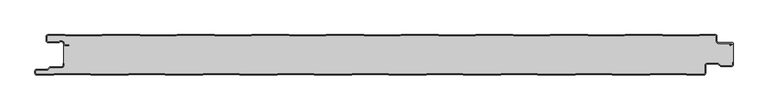
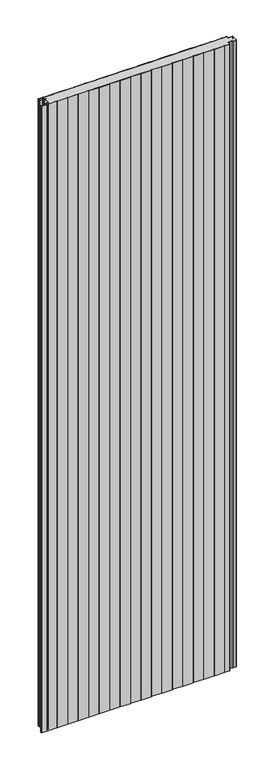
"""IFC4 building model written with IfcOpenShell, lengths in millimetres: plate geometry."""

from ifc_helpers import new_model, si_unit, point, frame_2d, origin, origin_with_axes, place, context, project, spatial, polyline, circle_curve, trimmed, segment, composite_curve, outline, extrude, source, transform, mapped, element, save


def plate_6f83bfdd(model_context):
    return source(origin(), model_context, "Body", "SweptSolid", [
        extrude(outline(composite_curve([segment(polyline([(-517.0, -57.5), (-517.0, -54.5)]), True, "CONTINUOUS"), segment(trimmed(circle_curve(frame_2d((-514.5, -54.5)), 2.5), [point((-517.0, -54.5))], [point((-514.5, -52.0))], False, "CARTESIAN"), True, "CONTINUOUS"), segment(polyline([(-514.5, -52.0), (-498.5, -52.0), (-494.75, -48.25), (-477.0, -48.25)]), True, "CONTINUOUS"), segment(trimmed(circle_curve(frame_2d((-477.0, -46.25)), 2.0), [point((-477.0, -48.25))], [point((-475.0, -46.25))], True, "CARTESIAN"), True, "CONTINUOUS"), segment(polyline([(-475.0, -46.25), (-475.0, -43.25), (-474.2, -43.25), (-474.2, -46.25)]), True, "CONTINUOUS"), segment(trimmed(circle_curve(frame_2d((-477.0, -46.25)), 2.8), [point((-474.2, -46.25))], [point((-477.0, -49.05))], False, "CARTESIAN"), True, "CONTINUOUS"), segment(polyline([(-477.0, -49.05), (-494.4186292, -49.05), (-498.1686292, -52.8), (-514.5, -52.8)]), True, "CONTINUOUS"), segment(trimmed(circle_curve(frame_2d((-514.5, -54.5)), 1.7), [point((-514.5, -52.8))], [point((-516.2, -54.5))], True, "CARTESIAN"), True, "CONTINUOUS"), segment(polyline([(-516.2, -54.5), (-516.2, -57.5)]), True, "CONTINUOUS"), segment(trimmed(circle_curve(frame_2d((-514.5, -57.5)), 1.7), [point((-516.2, -57.5))], [point((-514.5, -59.2))], True, "CARTESIAN"), True, "CONTINUOUS"), segment(polyline([(-514.5, -59.2), (-489.4444842, -59.2), (-488.4469842, -58.6), (-434.4430158, -58.6), (-433.4455158, -59.2), (-378.3344842, -59.2), (-377.3369842, -58.6), (-323.3330158, -58.6), (-322.3355158, -59.2), (-267.2244842, -59.2), (-266.2269842, -58.6), (-212.2230158, -58.6), (-211.2255158, -59.2), (-156.1144842, -59.2), (-155.1169842, -58.6), (-101.1130158, -58.6), (-100.1155158, -59.2), (-45.0044842, -59.2), (-44.0069842, -58.6), (9.9969842, -58.6), (10.9944842, -59.2), (66.1055158, -59.2), (67.1030158, -58.6), (121.1069842, -58.6), (122.1044842, -59.2), (177.2155158, -59.2), (178.2130158, -58.6), (232.2169842, -58.6), (233.2144842, -59.2), (288.3255158, -59.2), (289.3230158, -58.6), (343.3269842, -58.6), (344.3244842, -59.2), (399.4355158, -59.2), (400.4330158, -58.6), (454.4369842, -58.6), (455.4344842, -59.2), (480.5, -59.2)]), True, "CONTINUOUS"), segment(trimmed(circle_curve(frame_2d((480.5, -57.5)), 1.7), [point((480.5, -59.2))], [point((482.2, -57.5))], True, "CARTESIAN"), True, "CONTINUOUS"), segment(polyline([(482.2, -57.5), (482.2, -46.0)]), True, "CONTINUOUS"), segment(trimmed(circle_curve(frame_2d((485.0, -46.0)), 2.8), [point((482.2, -46.0))], [point((485.0, -43.2))], False, "CARTESIAN"), True, "CONTINUOUS"), segment(polyline([(485.0, -43.2), (501.7886271, -43.2), (505.8492873, -46.95), (521.5, -46.95)]), True, "CONTINUOUS"), segment(trimmed(circle_curve(frame_2d((521.5, -45.25)), 1.7), [point((521.5, -46.95))], [point((523.2, -45.25))], True, "CARTESIAN"), True, "CONTINUOUS"), segment(polyline([(523.2, -45.25), (523.2, -41.75), (524.0, -41.75), (524.0, -45.25)]), True, "CONTINUOUS"), segment(trimmed(circle_curve(frame_2d((521.5, -45.25)), 2.5), [point((524.0, -45.25))], [point((521.5, -47.75))], False, "CARTESIAN"), True, "CONTINUOUS"), segment(polyline([(521.5, -47.75), (505.5363961, -47.75), (501.4757359, -44.0), (485.0, -44.0)]), True, "CONTINUOUS"), segment(trimmed(circle_curve(frame_2d((485.0, -46.0)), 2.0), [point((485.0, -44.0))], [point((483.0, -46.0))], True, "CARTESIAN"), True, "CONTINUOUS"), segment(polyline([(483.0, -46.0), (483.0, -57.5)]), True, "CONTINUOUS"), segment(trimmed(circle_curve(frame_2d((480.5, -57.5)), 2.5), [point((483.0, -57.5))], [point((480.5, -60.0))], False, "CARTESIAN"), True, "CONTINUOUS"), segment(polyline([(480.5, -60.0), (455.2124211, -60.0), (454.2149211, -59.4), (400.6550789, -59.4), (399.6575789, -60.0), (344.1024211, -60.0), (343.1049211, -59.4), (289.5450789, -59.4), (288.5475789, -60.0), (232.9924211, -60.0), (231.9949211, -59.4), (178.4350789, -59.4), (177.4375789, -60.0), (121.8824211, -60.0), (120.8849211, -59.4), (67.3250789, -59.4), (66.3275789, -60.0), (10.7724211, -60.0), (9.7749211, -59.4), (-43.7849211, -59.4), (-44.7824211, -60.0), (-100.3375789, -60.0), (-101.3350789, -59.4), (-154.8949211, -59.4), (-155.8924211, -60.0), (-211.4475789, -60.0), (-212.4450789, -59.4), (-266.0049211, -59.4), (-267.0024211, -60.0), (-322.5575789, -60.0), (-323.5550789, -59.4), (-377.1149211, -59.4), (-378.1124211, -60.0), (-433.6675789, -60.0), (-434.6650789, -59.4), (-488.2249211, -59.4), (-489.2224211, -60.0), (-514.5, -60.0)]), True, "CONTINUOUS"), segment(trimmed(circle_curve(frame_2d((-514.5, -57.5)), 2.5), [point((-514.5, -60.0))], [point((-517.0, -57.5))], False, "CARTESIAN"), True, "CONTINUOUS")], self_intersect=False)), origin_with_axes(), (0.0, 0.0, 1.0), 3500.0),
        extrude(outline(composite_curve([segment(trimmed(circle_curve(frame_2d((-497.49499, -9.0180361)), 2.50501), [point((-497.49499, -11.5230461))], [point((-500.0, -9.0180361))], False, "CARTESIAN"), True, "CONTINUOUS"), segment(polyline([(-500.0, -9.0180361), (-500.0, -2.50501)]), True, "CONTINUOUS"), segment(trimmed(circle_curve(frame_2d((-497.49499, -2.50501)), 2.50501), [point((-500.0, -2.50501))], [point((-497.49499, 0.0))], False, "CARTESIAN"), True, "CONTINUOUS"), segment(polyline([(-497.49499, 0.0), (-472.2103007, 0.0), (-471.028188, -0.6012024), (-417.6391467, -0.6012024), (-416.457034, 0.0), (-360.8776353, 0.0), (-359.6955227, -0.6012024), (-306.3064814, -0.6012024), (-305.1243687, 0.0), (-249.54497, 0.0), (-248.3628573, -0.6012024), (-194.973816, -0.6012024), (-193.7917033, 0.0), (-138.2123047, 0.0), (-137.030192, -0.6012024), (-83.6411507, -0.6012024), (-82.459038, 0.0), (-26.8796393, 0.0), (-25.6975267, -0.6012024), (27.6915146, -0.6012024), (28.8736273, 0.0), (84.453026, 0.0), (85.6351387, -0.6012024), (139.02418, -0.6012024), (140.2062927, 0.0), (195.7856913, 0.0), (196.967804, -0.6012024), (250.3568453, -0.6012024), (251.538958, 0.0), (307.1183566, 0.0), (308.3004693, -0.6012024), (361.6895106, -0.6012024), (362.8716233, 0.0), (418.451022, 0.0), (419.6331347, -0.6012024), (473.022176, -0.6012024), (474.2042886, 0.0), (497.49499, 0.0)]), True, "CONTINUOUS"), segment(trimmed(circle_curve(frame_2d((497.49499, -2.50501)), 2.50501), [point((497.49499, 0.0))], [point((500.0, -2.50501))], False, "CARTESIAN"), True, "CONTINUOUS"), segment(polyline([(500.0, -2.50501), (500.0, -10.0200401)]), True, "CONTINUOUS"), segment(trimmed(circle_curve(frame_2d((502.004008, -10.0200401)), 2.004008), [point((500.0, -10.0200401))], [point((502.004008, -12.0240481))], True, "CARTESIAN"), True, "CONTINUOUS"), segment(polyline([(502.004008, -12.0240481), (522.96027, -12.0240481)]), True, "CONTINUOUS"), segment(trimmed(circle_curve(frame_2d((522.96027, -13.0490481)), 1.025), [point((522.96027, -12.0240481))], [point((523.47277, -13.9367241))], False, "CARTESIAN"), True, "CONTINUOUS"), segment(polyline([(523.47277, -13.9367241), (519.5390782, -16.2078422), (519.1390782, -15.5150218), (522.183956, -13.7570608)]), True, "CONTINUOUS"), segment(trimmed(circle_curve(frame_2d((521.933956, -13.3240481)), 0.5), [point((522.183956, -13.7570608))], [point((521.933956, -12.8240481))], True, "CARTESIAN"), True, "CONTINUOUS"), segment(polyline([(521.933956, -12.8240481), (502.004008, -12.8240481)]), True, "CONTINUOUS"), segment(trimmed(circle_curve(frame_2d((502.004008, -10.0200401)), 2.804008), [point((502.004008, -12.8240481))], [point((499.2, -10.0200401))], False, "CARTESIAN"), True, "CONTINUOUS"), segment(polyline([(499.2, -10.0200401), (499.2, -2.50501)]), True, "CONTINUOUS"), segment(trimmed(circle_curve(frame_2d((497.49499, -2.50501)), 1.70501), [point((499.2, -2.50501))], [point((497.49499, -0.8))], True, "CARTESIAN"), True, "CONTINUOUS"), segment(polyline([(497.49499, -0.8), (474.396035, -0.8), (473.2139223, -1.4012024), (419.4413883, -1.4012024), (418.2592756, -0.8), (363.0633697, -0.8), (361.881257, -1.4012024), (308.108723, -1.4012024), (306.9266103, -0.8), (251.7307044, -0.8), (250.5485917, -1.4012024), (196.7760576, -1.4012024), (195.5939449, -0.8), (140.398039, -0.8), (139.2159263, -1.4012024), (85.4433923, -1.4012024), (84.2612796, -0.8), (29.0653737, -0.8), (27.883261, -1.4012024), (-25.889273, -1.4012024), (-27.0713857, -0.8), (-82.2672916, -0.8), (-83.4494043, -1.4012024), (-137.2219384, -1.4012024), (-138.4040511, -0.8), (-193.599957, -0.8), (-194.7820696, -1.4012024), (-248.5546037, -1.4012024), (-249.7367164, -0.8), (-304.9326223, -0.8), (-306.114735, -1.4012024), (-359.887269, -1.4012024), (-361.0693817, -0.8), (-416.2652876, -0.8), (-417.4474003, -1.4012024), (-471.2199344, -1.4012024), (-472.4020471, -0.8), (-497.49499, -0.8)]), True, "CONTINUOUS"), segment(trimmed(circle_curve(frame_2d((-497.49499, -2.50501)), 1.70501), [point((-497.49499, -0.8))], [point((-499.2, -2.50501))], True, "CARTESIAN"), True, "CONTINUOUS"), segment(polyline([(-499.2, -2.50501), (-499.2, -9.0180361)]), True, "CONTINUOUS"), segment(trimmed(circle_curve(frame_2d((-497.49499, -9.0180361)), 1.70501), [point((-499.2, -9.0180361))], [point((-497.49499, -10.7230461))], True, "CARTESIAN"), True, "CONTINUOUS"), segment(polyline([(-497.49499, -10.7230461), (-481.8173283, -10.7230461)]), True, "CONTINUOUS"), segment(trimmed(circle_curve(frame_2d((-481.8173283, -9.0180361)), 1.70501), [point((-481.8173283, -10.7230461))], [point((-480.6895701, -10.2967936))], True, "CARTESIAN"), True, "CONTINUOUS"), segment(trimmed(circle_curve(frame_2d((-477.8407481, -13.5270541)), 4.307014), [point((-480.6895701, -10.2967936))], [point((-473.7934788, -12.0539686))], False, "CARTESIAN"), True, "CONTINUOUS"), segment(polyline([(-473.7934788, -12.0539686), (-473.0450711, -14.1102019)]), True, "CONTINUOUS"), segment(trimmed(circle_curve(frame_2d((-471.4428858, -13.5270541)), 1.70501), [point((-473.0450711, -14.1102019))], [point((-471.4428858, -15.2320641))], True, "CARTESIAN"), True, "CONTINUOUS"), segment(polyline([(-471.4428858, -15.2320641), (-466.4328657, -15.2320641), (-466.4328657, -16.0320641), (-471.4428858, -16.0320641)]), True, "CONTINUOUS"), segment(trimmed(circle_curve(frame_2d((-471.4428858, -13.5270541)), 2.50501), [point((-471.4428858, -16.0320641))], [point((-473.7968252, -14.383818))], False, "CARTESIAN"), True, "CONTINUOUS"), segment(polyline([(-473.7968252, -14.383818), (-474.5452329, -12.3275847)]), True, "CONTINUOUS"), segment(trimmed(circle_curve(frame_2d((-477.8407481, -13.5270541)), 3.507014), [point((-474.5452329, -12.3275847))], [point((-480.1604199, -10.8967936))], True, "CARTESIAN"), True, "CONTINUOUS"), segment(trimmed(circle_curve(frame_2d((-481.8173283, -9.0180361)), 2.50501), [point((-480.1604199, -10.8967936))], [point((-481.8173283, -11.5230461))], False, "CARTESIAN"), True, "CONTINUOUS"), segment(polyline([(-481.8173283, -11.5230461), (-497.49499, -11.5230461)]), True, "CONTINUOUS")], self_intersect=False)), origin_with_axes(), (0.0, 0.0, 1.0), 3500.0),
        extrude(outline(composite_curve([segment(trimmed(circle_curve(frame_2d((521.5, -45.25)), 1.7), [point((523.2, -45.25))], [point((521.5, -46.95))], False, "CARTESIAN"), True, "CONTINUOUS"), segment(polyline([(521.5, -46.95), (505.8492873, -46.95), (501.7886271, -43.2), (485.0, -43.2)]), True, "CONTINUOUS"), segment(trimmed(circle_curve(frame_2d((485.0, -46.0)), 2.8), [point((485.0, -43.2))], [point((482.2, -46.0))], True, "CARTESIAN"), True, "CONTINUOUS"), segment(polyline([(482.2, -46.0), (482.2, -57.5)]), True, "CONTINUOUS"), segment(trimmed(circle_curve(frame_2d((480.5, -57.5)), 1.7), [point((482.2, -57.5))], [point((480.5, -59.2))], False, "CARTESIAN"), True, "CONTINUOUS"), segment(polyline([(480.5, -59.2), (455.4344842, -59.2), (454.4369842, -58.6), (400.4330158, -58.6), (399.4355158, -59.2), (344.3244842, -59.2), (343.3269842, -58.6), (289.3230158, -58.6), (288.3255158, -59.2), (233.2144842, -59.2), (232.2169842, -58.6), (178.2130158, -58.6), (177.2155158, -59.2), (122.1044842, -59.2), (121.1069842, -58.6), (67.1030158, -58.6), (66.1055158, -59.2), (10.9944842, -59.2), (9.9969842, -58.6), (-44.0069842, -58.6), (-45.0044842, -59.2), (-100.1155158, -59.2), (-101.1130158, -58.6), (-155.1169842, -58.6), (-156.1144842, -59.2), (-211.2255158, -59.2), (-212.2230158, -58.6), (-266.2269842, -58.6), (-267.2244842, -59.2), (-322.3355158, -59.2), (-323.3330158, -58.6), (-377.3369842, -58.6), (-378.3344842, -59.2), (-433.4455158, -59.2), (-434.4430158, -58.6), (-488.4469842, -58.6), (-489.4444842, -59.2), (-514.5, -59.2)]), True, "CONTINUOUS"), segment(trimmed(circle_curve(frame_2d((-514.5, -57.5)), 1.7), [point((-514.5, -59.2))], [point((-516.2, -57.5))], False, "CARTESIAN"), True, "CONTINUOUS"), segment(polyline([(-516.2, -57.5), (-516.2, -54.5)]), True, "CONTINUOUS"), segment(trimmed(circle_curve(frame_2d((-514.5, -54.5)), 1.7), [point((-516.2, -54.5))], [point((-514.5, -52.8))], False, "CARTESIAN"), True, "CONTINUOUS"), segment(polyline([(-514.5, -52.8), (-498.1686292, -52.8), (-494.4186292, -49.05), (-477.0, -49.05)]), True, "CONTINUOUS"), segment(trimmed(circle_curve(frame_2d((-477.0, -46.25)), 2.8), [point((-477.0, -49.05))], [point((-474.2, -46.25))], True, "CARTESIAN"), True, "CONTINUOUS"), segment(polyline([(-474.2, -46.25), (-474.2, -11.2258973)]), True, "CONTINUOUS"), segment(trimmed(circle_curve(frame_2d((-477.8407481, -13.5270541)), 4.307014), [point((-474.2, -11.2258973))], [point((-480.6895701, -10.2967936))], True, "CARTESIAN"), True, "CONTINUOUS"), segment(trimmed(circle_curve(frame_2d((-481.8173283, -9.0180361)), 1.70501), [point((-480.6895701, -10.2967936))], [point((-481.8173283, -10.7230461))], False, "CARTESIAN"), True, "CONTINUOUS"), segment(polyline([(-481.8173283, -10.7230461), (-497.49499, -10.7230461)]), True, "CONTINUOUS"), segment(trimmed(circle_curve(frame_2d((-497.49499, -9.0180361)), 1.70501), [point((-497.49499, -10.7230461))], [point((-499.2, -9.0180361))], False, "CARTESIAN"), True, "CONTINUOUS"), segment(polyline([(-499.2, -9.0180361), (-499.2, -2.50501)]), True, "CONTINUOUS"), segment(trimmed(circle_curve(frame_2d((-497.49499, -2.50501)), 1.70501), [point((-499.2, -2.50501))], [point((-497.49499, -0.8))], False, "CARTESIAN"), True, "CONTINUOUS"), segment(polyline([(-497.49499, -0.8), (-472.4020471, -0.8), (-471.2199344, -1.4012024), (-417.4474003, -1.4012024), (-416.2652876, -0.8), (-361.0693817, -0.8), (-359.887269, -1.4012024), (-306.114735, -1.4012024), (-304.9326223, -0.8), (-249.7367164, -0.8), (-248.5546037, -1.4012024), (-194.7820696, -1.4012024), (-193.599957, -0.8), (-138.4040511, -0.8), (-137.2219384, -1.4012024), (-83.4494043, -1.4012024), (-82.2672916, -0.8), (-27.0713857, -0.8), (-25.889273, -1.4012024), (27.883261, -1.4012024), (29.0653737, -0.8), (84.2612796, -0.8), (85.4433923, -1.4012024), (139.2159263, -1.4012024), (140.398039, -0.8), (195.5939449, -0.8), (196.7760576, -1.4012024), (250.5485917, -1.4012024), (251.7307044, -0.8), (306.9266103, -0.8), (308.108723, -1.4012024), (361.881257, -1.4012024), (363.0633697, -0.8), (418.2592756, -0.8), (419.4413883, -1.4012024), (473.2139223, -1.4012024), (474.396035, -0.8), (497.49499, -0.8)]), True, "CONTINUOUS"), segment(trimmed(circle_curve(frame_2d((497.49499, -2.50501)), 1.70501), [point((497.49499, -0.8))], [point((499.2, -2.50501))], False, "CARTESIAN"), True, "CONTINUOUS"), segment(polyline([(499.2, -2.50501), (499.2, -10.0200401)]), True, "CONTINUOUS"), segment(trimmed(circle_curve(frame_2d((502.004008, -10.0200401)), 2.804008), [point((499.2, -10.0200401))], [point((502.004008, -12.8240481))], True, "CARTESIAN"), True, "CONTINUOUS"), segment(polyline([(502.004008, -12.8240481), (524.0, -12.8240481), (524.0, -41.75), (523.2, -41.75), (523.2, -45.25)]), True, "CONTINUOUS")], self_intersect=False)), origin_with_axes(), (0.0, 0.0, 1.0), 3500.0),
    ])


if __name__ == "__main__":
    model = new_model("IFC4")
    model_context = context("Model", 3, world=origin())
    ifc_project = project(units=[si_unit("LENGTHUNIT", "METRE", prefix="MILLI")], contexts=[model_context])
    site = spatial("IfcSite", under=ifc_project)
    building = spatial("IfcBuilding", under=site)
    placement = place(None, origin())
    plate_shape = plate_6f83bfdd(model_context)
    element("IfcPlate", 1, at=placement, inside=building, context=model_context, shape_type="MappedRepresentation", body=[
        mapped(plate_shape, transform((0.0, 0.0, 0.0), x_axis=(1.0, 0.0, 0.0), y_axis=(0.0, 1.0, 0.0), z_axis=(0.0, 0.0, 1.0))),
    ])
    save(model, "model.ifc")
